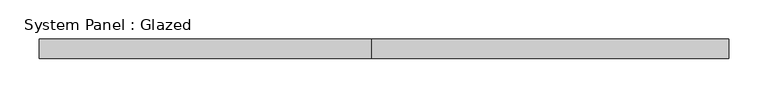
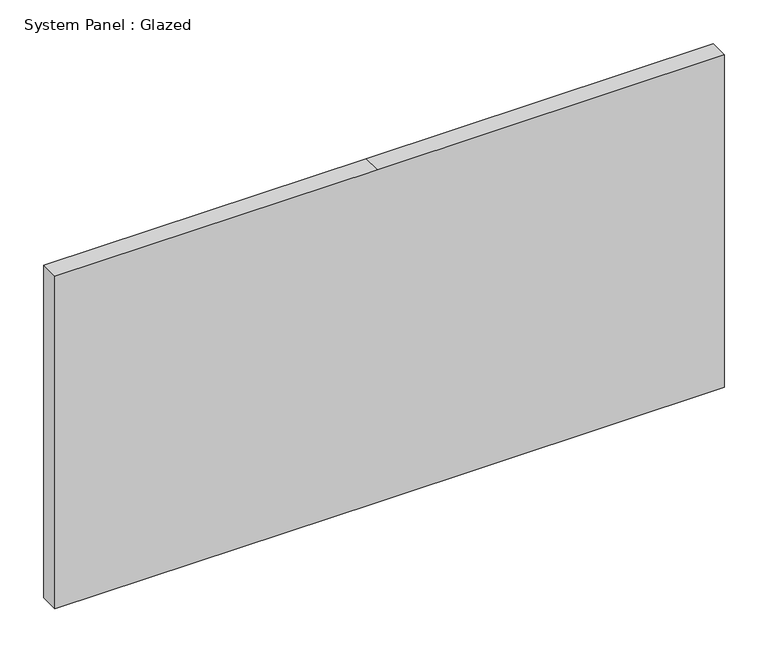
"""IFC4 building model written with IfcOpenShell, lengths in millimetres: plate geometry, System Panel : Glazed."""

from ifc_helpers import new_model, si_unit, frame, origin, place, context, project, spatial, polyline, outline, extrude, source, transform, mapped, element, save


def system_panel_glazed_43aa4bde(model_context):
    return source(origin(), model_context, "Body", "SweptSolid", [
        extrude(outline(polyline([(0.0, -441.325), (0.0, -15.875), (0.0, 441.325), (463.55, 441.325), (463.55, -15.875), (463.55, -441.325), (0.0, -441.325)])), frame((0.0, 19.05, 0.0), z_axis=(0.0, 1.0, 0.0), x_axis=(0.0, 0.0, 1.0)), (0.0, 0.0, 1.0), 25.4),
    ])


if __name__ == "__main__":
    model = new_model("IFC4")
    model_context = context("Model", 3, world=origin())
    ifc_project = project(units=[si_unit("LENGTHUNIT", "METRE", prefix="MILLI")], contexts=[model_context])
    site = spatial("IfcSite", under=ifc_project)
    building = spatial("IfcBuilding", under=site)
    placement = place(None, origin())
    system_panel_glazed_shape = system_panel_glazed_43aa4bde(model_context)
    element("IfcPlate", 1, ObjectType="System Panel : Glazed", at=placement, inside=building, context=model_context, shape_type="MappedRepresentation", body=[
        mapped(system_panel_glazed_shape, transform((0.0, 0.0, 0.0), x_axis=(1.0, 0.0, 0.0), y_axis=(0.0, 1.0, 0.0), z_axis=(0.0, 0.0, 1.0))),
    ])
    save(model, "model.ifc")
